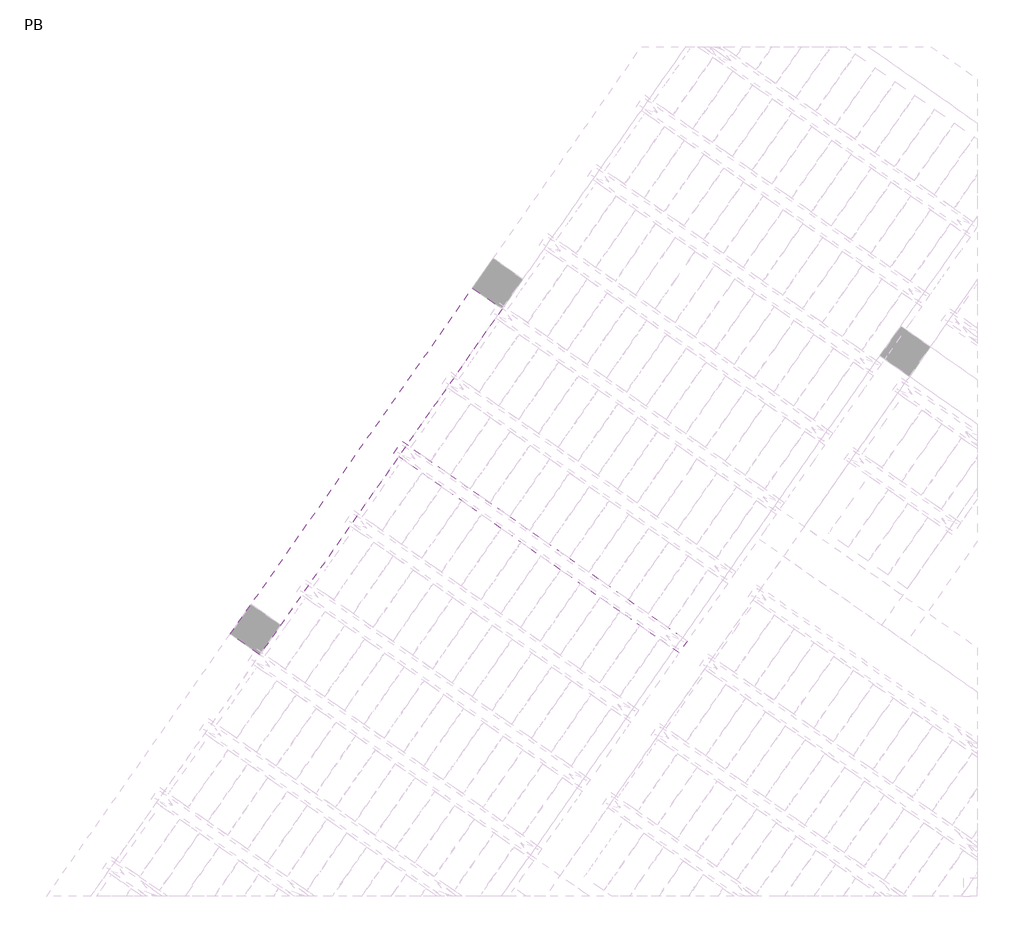
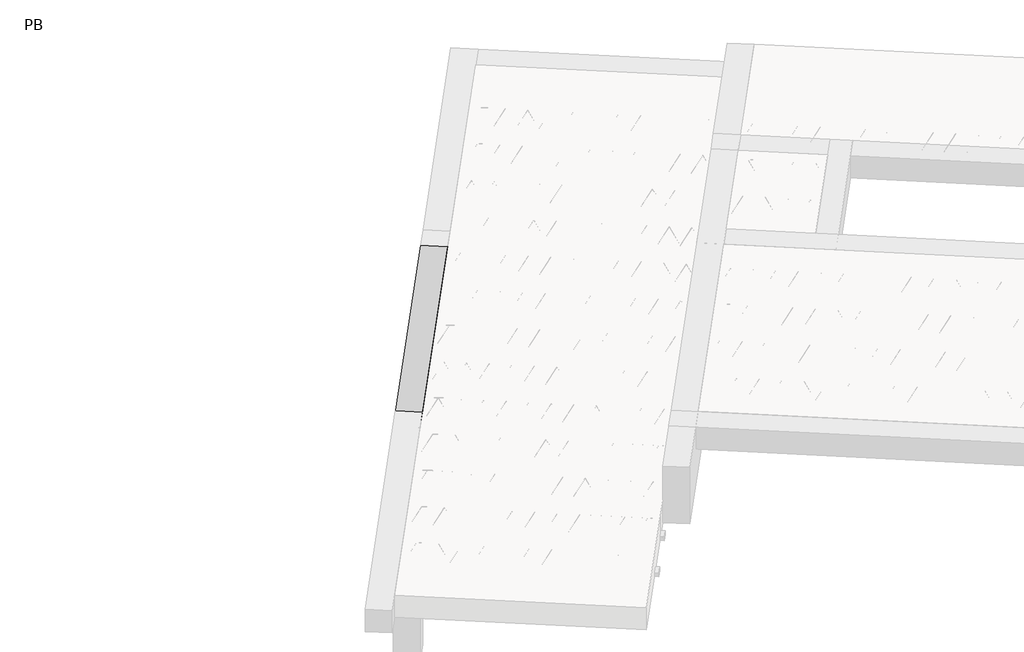
# One storey, part 32 of 56: 3 beams.
"""IFC4 building model written with IfcOpenShell, lengths in millimetres."""

from ifc_helpers import new_model, si_unit, point, frame, origin, origin_2d, place, context, project, spatial, polyline, circle_curve, trimmed, segment, composite_curve, outline, extrude, element, save

model = new_model("IFC4")

# Units and contexts
model_context = context("Model", 3, world=origin())
ifc_project = project(units=[si_unit("LENGTHUNIT", "METRE", prefix="MILLI")], contexts=[model_context])

# Site, building, storey
site = spatial("IfcSite", under=ifc_project)
building = spatial("IfcBuilding", under=site)
storey = spatial("IfcBuildingStorey", under=building, Name="PB", Elevation=95940.0)

# Beams
placement = place(None, origin())
element("IfcBeam", 1, at=placement, inside=storey, context=model_context, shape_type="SweptSolid", body=[
    extrude(outline(polyline([(1596.0492258, 6683.5284282), (1664.8783982, 6781.8266735), (4027.7491046, 5127.3267929), (3958.9199323, 5029.0285476), (1596.0492258, 6683.5284282)])), frame((0.0, 0.0, 98760.0), z_axis=(0.0, 0.0, 1.0), x_axis=(1.0, 0.0, 0.0)), (0.0, 0.0, 1.0), 50.0),
    extrude(outline(composite_curve([segment(trimmed(circle_curve(origin_2d(), 2.5), [point((-2.5, 0.0))], [point((2.5, 0.0))], False, "CARTESIAN"), True, "CONTINUOUS"), segment(trimmed(circle_curve(origin_2d(), 2.5), [point((2.5, 0.0))], [point((-2.5, 0.0))], False, "CARTESIAN"), True, "CONTINUOUS")], self_intersect=False)), frame((3953.0261177, 5062.4540311, 98785.0), z_axis=(-0.8191520442696126, 0.5735764363787226, 0.0), x_axis=(0.5735764363787226, 0.8191520442696126, 0.0)), (0.0, 0.0, 1.0), 2836.532515),
    extrude(outline(composite_curve([segment(trimmed(circle_curve(origin_2d(), 2.5), [point((-2.5, 0.0))], [point((2.5000001, 0.0))], False, "CARTESIAN"), True, "CONTINUOUS"), segment(trimmed(circle_curve(origin_2d(), 2.5), [point((2.5000001, 0.0))], [point((-2.5, 0.0))], False, "CARTESIAN"), True, "CONTINUOUS")], self_intersect=False)), frame((3876.7968228, 5159.7782432, 99010.0), z_axis=(-0.8191520442696126, 0.5735764363787226, 0.0), x_axis=(0.5735764363787226, 0.8191520442696126, 0.0)), (0.0, 0.0, 1.0), 2600.0),
    extrude(outline(composite_curve([segment(trimmed(circle_curve(origin_2d(), 2.5), [point((-2.5, 0.0))], [point((2.5, 0.0))], False, "CARTESIAN"), True, "CONTINUOUS"), segment(trimmed(circle_curve(origin_2d(), 2.5), [point((2.5, 0.0))], [point((-2.5, 0.0))], False, "CARTESIAN"), True, "CONTINUOUS")], self_intersect=False)), frame((3917.5844744, 5087.2705369, 98785.0), z_axis=(-0.3145304735701046, 0.38933448886848654, 0.8657304643902053), x_axis=(0.7778747638402499, 0.6284193279813057, 0.0)), (0.0, 0.0, 1.0), 259.8961331),
    extrude(outline(composite_curve([segment(trimmed(circle_curve(origin_2d(), 2.5), [point((2.5, 0.0))], [point((-2.5, 0.0))], False, "CARTESIAN"), True, "CONTINUOUS"), segment(trimmed(circle_curve(origin_2d(), 2.5), [point((-2.5, 0.0))], [point((2.5, 0.0))], False, "CARTESIAN"), True, "CONTINUOUS")], self_intersect=False)), frame((3712.7964633, 5230.664646, 98785.0), z_axis=(0.47343050384693375, -0.16240172737369005, 0.8657304643902051), x_axis=(-0.3244721671091268, -0.9458952440791246, 0.0)), (0.0, 0.0, 1.0), 259.8961331),
    extrude(outline(composite_curve([segment(trimmed(circle_curve(origin_2d(), 2.5), [point((-2.5, 0.0))], [point((2.5, 0.0))], False, "CARTESIAN"), True, "CONTINUOUS"), segment(trimmed(circle_curve(origin_2d(), 2.5), [point((2.5, 0.0))], [point((-2.5, 0.0))], False, "CARTESIAN"), True, "CONTINUOUS")], self_intersect=False)), frame((3712.7964633, 5230.664646, 98785.0), z_axis=(-0.3145304735701046, 0.38933448886848654, 0.8657304643902053), x_axis=(0.7778747638402499, 0.6284193279813057, 0.0)), (0.0, 0.0, 1.0), 259.8961331),
    extrude(outline(composite_curve([segment(trimmed(circle_curve(origin_2d(), 2.5), [point((2.5, -1e-07))], [point((-2.5, 0.0))], False, "CARTESIAN"), True, "CONTINUOUS"), segment(trimmed(circle_curve(origin_2d(), 2.5), [point((-2.5, 0.0))], [point((2.5, -1e-07))], False, "CARTESIAN"), True, "CONTINUOUS")], self_intersect=False)), frame((3508.0084523, 5374.0587551, 98785.0), z_axis=(0.47343050384693375, -0.16240172737369005, 0.8657304643902051), x_axis=(-0.3244721671091268, -0.9458952440791246, 0.0)), (0.0, 0.0, 1.0), 259.8961331),
    extrude(outline(composite_curve([segment(trimmed(circle_curve(origin_2d(), 2.5), [point((-2.5000001, 1e-07))], [point((2.5, 0.0))], False, "CARTESIAN"), True, "CONTINUOUS"), segment(trimmed(circle_curve(origin_2d(), 2.5), [point((2.5, 0.0))], [point((-2.5000001, 1e-07))], False, "CARTESIAN"), True, "CONTINUOUS")], self_intersect=False)), frame((3508.0084523, 5374.0587551, 98785.0), z_axis=(-0.3145304735701046, 0.38933448886848654, 0.8657304643902053), x_axis=(0.7778747638402499, 0.6284193279813057, 0.0)), (0.0, 0.0, 1.0), 259.8961331),
    extrude(outline(composite_curve([segment(trimmed(circle_curve(origin_2d(), 2.5), [point((2.5, 0.0))], [point((-2.5, 0.0))], False, "CARTESIAN"), True, "CONTINUOUS"), segment(trimmed(circle_curve(origin_2d(), 2.5), [point((-2.5, 0.0))], [point((2.5, 0.0))], False, "CARTESIAN"), True, "CONTINUOUS")], self_intersect=False)), frame((3303.2204412, 5517.4528642, 98785.0), z_axis=(0.47343050384693375, -0.16240172737369005, 0.8657304643902051), x_axis=(-0.3244721671091268, -0.9458952440791246, 0.0)), (0.0, 0.0, 1.0), 259.8961331),
    extrude(outline(composite_curve([segment(trimmed(circle_curve(origin_2d(), 2.5), [point((-2.5, 0.0))], [point((2.5, 0.0))], False, "CARTESIAN"), True, "CONTINUOUS"), segment(trimmed(circle_curve(origin_2d(), 2.5), [point((2.5, 0.0))], [point((-2.5, 0.0))], False, "CARTESIAN"), True, "CONTINUOUS")], self_intersect=False)), frame((3303.2204412, 5517.4528642, 98785.0), z_axis=(-0.3145304735701046, 0.38933448886848654, 0.8657304643902053), x_axis=(0.7778747638402499, 0.6284193279813057, 0.0)), (0.0, 0.0, 1.0), 259.8961331),
    extrude(outline(composite_curve([segment(trimmed(circle_curve(origin_2d(), 2.5), [point((2.5, 0.0))], [point((-2.5, 0.0))], False, "CARTESIAN"), True, "CONTINUOUS"), segment(trimmed(circle_curve(origin_2d(), 2.5), [point((-2.5, 0.0))], [point((2.5, 0.0))], False, "CARTESIAN"), True, "CONTINUOUS")], self_intersect=False)), frame((3098.4324301, 5660.8469733, 98785.0), z_axis=(0.47343050384693375, -0.16240172737369005, 0.8657304643902051), x_axis=(-0.3244721671091268, -0.9458952440791246, 0.0)), (0.0, 0.0, 1.0), 259.8961331),
    extrude(outline(composite_curve([segment(trimmed(circle_curve(origin_2d(), 2.5), [point((-2.5, 0.0))], [point((2.5, 0.0))], False, "CARTESIAN"), True, "CONTINUOUS"), segment(trimmed(circle_curve(origin_2d(), 2.5), [point((2.5, 0.0))], [point((-2.5, 0.0))], False, "CARTESIAN"), True, "CONTINUOUS")], self_intersect=False)), frame((3098.4324305, 5660.846973, 98785.0), z_axis=(-0.3145304735701046, 0.38933448886848654, 0.8657304643902053), x_axis=(0.7778747638402499, 0.6284193279813057, 0.0)), (0.0, 0.0, 1.0), 259.8961331),
    extrude(outline(composite_curve([segment(trimmed(circle_curve(origin_2d(), 2.5), [point((2.5, -1e-07))], [point((-2.5, 0.0))], False, "CARTESIAN"), True, "CONTINUOUS"), segment(trimmed(circle_curve(origin_2d(), 2.5), [point((-2.5, 0.0))], [point((2.5, -1e-07))], False, "CARTESIAN"), True, "CONTINUOUS")], self_intersect=False)), frame((2893.6444195, 5804.2410821, 98785.0), z_axis=(0.47343050384693375, -0.16240172737369005, 0.8657304643902051), x_axis=(-0.3244721671091268, -0.9458952440791246, 0.0)), (0.0, 0.0, 1.0), 259.8961331),
    extrude(outline(composite_curve([segment(trimmed(circle_curve(origin_2d(), 2.5), [point((-2.5, 0.0))], [point((2.5, 0.0))], False, "CARTESIAN"), True, "CONTINUOUS"), segment(trimmed(circle_curve(origin_2d(), 2.5), [point((2.5, 0.0))], [point((-2.5, 0.0))], False, "CARTESIAN"), True, "CONTINUOUS")], self_intersect=False)), frame((2893.6444195, 5804.2410821, 98785.0), z_axis=(-0.3145304735701046, 0.38933448886848654, 0.8657304643902053), x_axis=(0.7778747638402499, 0.6284193279813057, 0.0)), (0.0, 0.0, 1.0), 259.8961331),
    extrude(outline(composite_curve([segment(trimmed(circle_curve(origin_2d(), 2.5), [point((2.5, 0.0))], [point((-2.5, 0.0))], False, "CARTESIAN"), True, "CONTINUOUS"), segment(trimmed(circle_curve(origin_2d(), 2.5), [point((-2.5, 0.0))], [point((2.5, 0.0))], False, "CARTESIAN"), True, "CONTINUOUS")], self_intersect=False)), frame((2688.8564084, 5947.6351912, 98785.0), z_axis=(0.47343050384693375, -0.16240172737369005, 0.8657304643902051), x_axis=(-0.3244721671091268, -0.9458952440791246, 0.0)), (0.0, 0.0, 1.0), 259.8961331),
    extrude(outline(composite_curve([segment(trimmed(circle_curve(origin_2d(), 2.5), [point((-2.5, 0.0))], [point((2.5, 0.0))], False, "CARTESIAN"), True, "CONTINUOUS"), segment(trimmed(circle_curve(origin_2d(), 2.5), [point((2.5, 0.0))], [point((-2.5, 0.0))], False, "CARTESIAN"), True, "CONTINUOUS")], self_intersect=False)), frame((2688.8564084, 5947.6351912, 98785.0), z_axis=(-0.3145304735701046, 0.38933448886848654, 0.8657304643902053), x_axis=(0.7778747638402499, 0.6284193279813057, 0.0)), (0.0, 0.0, 1.0), 259.8961331),
    extrude(outline(composite_curve([segment(trimmed(circle_curve(origin_2d(), 2.5), [point((2.5, 0.0))], [point((-2.5, 0.0))], False, "CARTESIAN"), True, "CONTINUOUS"), segment(trimmed(circle_curve(origin_2d(), 2.5), [point((-2.5, 0.0))], [point((2.5, 0.0))], False, "CARTESIAN"), True, "CONTINUOUS")], self_intersect=False)), frame((2484.0683973, 6091.0293003, 98785.0), z_axis=(0.47343050384693375, -0.16240172737369005, 0.8657304643902051), x_axis=(-0.3244721671091268, -0.9458952440791246, 0.0)), (0.0, 0.0, 1.0), 259.8961331),
    extrude(outline(composite_curve([segment(trimmed(circle_curve(origin_2d(), 2.5), [point((-2.5, 0.0))], [point((2.5, 0.0))], False, "CARTESIAN"), True, "CONTINUOUS"), segment(trimmed(circle_curve(origin_2d(), 2.5), [point((2.5, 0.0))], [point((-2.5, 0.0))], False, "CARTESIAN"), True, "CONTINUOUS")], self_intersect=False)), frame((2484.0683973, 6091.0293003, 98785.0), z_axis=(-0.3145304735701046, 0.38933448886848654, 0.8657304643902053), x_axis=(0.7778747638402499, 0.6284193279813057, 0.0)), (0.0, 0.0, 1.0), 259.8961331),
    extrude(outline(composite_curve([segment(trimmed(circle_curve(origin_2d(), 2.5), [point((2.5, -1e-07))], [point((-2.5, 0.0))], False, "CARTESIAN"), True, "CONTINUOUS"), segment(trimmed(circle_curve(origin_2d(), 2.5), [point((-2.5, 0.0))], [point((2.5, -1e-07))], False, "CARTESIAN"), True, "CONTINUOUS")], self_intersect=False)), frame((2279.2803863, 6234.4234094, 98785.0), z_axis=(0.47343050384693375, -0.16240172737369005, 0.8657304643902051), x_axis=(-0.3244721671091268, -0.9458952440791246, 0.0)), (0.0, 0.0, 1.0), 259.8961331),
    extrude(outline(composite_curve([segment(trimmed(circle_curve(origin_2d(), 2.5), [point((-2.5, 0.0))], [point((2.5, 0.0))], False, "CARTESIAN"), True, "CONTINUOUS"), segment(trimmed(circle_curve(origin_2d(), 2.5), [point((2.5, 0.0))], [point((-2.5, 0.0))], False, "CARTESIAN"), True, "CONTINUOUS")], self_intersect=False)), frame((2279.2803863, 6234.4234094, 98785.0), z_axis=(-0.3145304735701046, 0.38933448886848654, 0.8657304643902053), x_axis=(0.7778747638402499, 0.6284193279813057, 0.0)), (0.0, 0.0, 1.0), 259.8961331),
    extrude(outline(composite_curve([segment(trimmed(circle_curve(origin_2d(), 2.5), [point((2.5, 0.0))], [point((-2.5, 0.0))], False, "CARTESIAN"), True, "CONTINUOUS"), segment(trimmed(circle_curve(origin_2d(), 2.5), [point((-2.5, 0.0))], [point((2.5, 0.0))], False, "CARTESIAN"), True, "CONTINUOUS")], self_intersect=False)), frame((2074.4923752, 6377.8175185, 98785.0), z_axis=(0.47343050384693375, -0.16240172737369005, 0.8657304643902051), x_axis=(-0.3244721671091268, -0.9458952440791246, 0.0)), (0.0, 0.0, 1.0), 259.8961331),
    extrude(outline(composite_curve([segment(trimmed(circle_curve(origin_2d(), 2.5), [point((-2.5, 0.0))], [point((2.5, 0.0))], False, "CARTESIAN"), True, "CONTINUOUS"), segment(trimmed(circle_curve(origin_2d(), 2.5), [point((2.5, 0.0))], [point((-2.5, 0.0))], False, "CARTESIAN"), True, "CONTINUOUS")], self_intersect=False)), frame((2074.4923752, 6377.8175185, 98785.0), z_axis=(-0.3145304735701046, 0.38933448886848654, 0.8657304643902053), x_axis=(0.7778747638402499, 0.6284193279813057, 0.0)), (0.0, 0.0, 1.0), 259.8961331),
    extrude(outline(composite_curve([segment(trimmed(circle_curve(origin_2d(), 2.5), [point((2.5, 0.0))], [point((-2.5, 0.0))], False, "CARTESIAN"), True, "CONTINUOUS"), segment(trimmed(circle_curve(origin_2d(), 2.5), [point((-2.5, 0.0))], [point((2.5, 0.0))], False, "CARTESIAN"), True, "CONTINUOUS")], self_intersect=False)), frame((1869.7043641, 6521.2116276, 98785.0), z_axis=(0.47343050384693375, -0.16240172737369005, 0.8657304643902051), x_axis=(-0.3244721671091268, -0.9458952440791246, 0.0)), (0.0, 0.0, 1.0), 259.8961331),
    extrude(outline(composite_curve([segment(trimmed(circle_curve(origin_2d(), 2.5), [point((-2.5, 0.0))], [point((2.5, 0.0))], False, "CARTESIAN"), True, "CONTINUOUS"), segment(trimmed(circle_curve(origin_2d(), 2.5), [point((2.5, 0.0))], [point((-2.5, 0.0))], False, "CARTESIAN"), True, "CONTINUOUS")], self_intersect=False)), frame((1869.7043641, 6521.2116276, 98785.0), z_axis=(-0.3145304735701046, 0.38933448886848654, 0.8657304643902053), x_axis=(0.7778747638402499, 0.6284193279813057, 0.0)), (0.0, 0.0, 1.0), 259.8961331),
    extrude(outline(composite_curve([segment(trimmed(circle_curve(origin_2d(), 2.5), [point((2.5, -1e-07))], [point((-2.5, 0.0))], False, "CARTESIAN"), True, "CONTINUOUS"), segment(trimmed(circle_curve(origin_2d(), 2.5), [point((-2.5, 0.0))], [point((2.5, -1e-07))], False, "CARTESIAN"), True, "CONTINUOUS")], self_intersect=False)), frame((1664.9163531, 6664.6057367, 98785.0), z_axis=(0.47343050384693375, -0.16240172737369005, 0.8657304643902051), x_axis=(-0.3244721671091268, -0.9458952440791246, 0.0)), (0.0, 0.0, 1.0), 259.8961331),
    extrude(outline(composite_curve([segment(trimmed(circle_curve(origin_2d(), 2.5), [point((-2.5, 0.0))], [point((2.5, 0.0))], False, "CARTESIAN"), True, "CONTINUOUS"), segment(trimmed(circle_curve(origin_2d(), 2.5), [point((2.5, 0.0))], [point((-2.5, 0.0))], False, "CARTESIAN"), True, "CONTINUOUS")], self_intersect=False)), frame((3994.3236211, 5121.4329783, 98785.0), z_axis=(-0.8191520442696126, 0.5735764363787226, 0.0), x_axis=(0.5735764363787226, 0.8191520442696126, 0.0)), (0.0, 0.0, 1.0), 2836.532515),
    extrude(outline(composite_curve([segment(trimmed(circle_curve(origin_2d(), 2.5), [point((-2.5, 0.0))], [point((2.5, 0.0))], False, "CARTESIAN"), True, "CONTINUOUS"), segment(trimmed(circle_curve(origin_2d(), 2.5), [point((2.5, 0.0))], [point((-2.5, 0.0))], False, "CARTESIAN"), True, "CONTINUOUS")], self_intersect=False)), frame((3958.8819778, 5146.2494841, 98785.0), z_axis=(-0.47343050384693375, 0.16240172737369005, 0.8657304643902051), x_axis=(0.3244721671091268, 0.9458952440791246, 0.0)), (0.0, 0.0, 1.0), 259.8961331),
    extrude(outline(composite_curve([segment(trimmed(circle_curve(origin_2d(), 2.5), [point((2.5, 0.0))], [point((-2.5000001, 1e-07))], False, "CARTESIAN"), True, "CONTINUOUS"), segment(trimmed(circle_curve(origin_2d(), 2.5), [point((-2.5000001, 1e-07))], [point((2.5, 0.0))], False, "CARTESIAN"), True, "CONTINUOUS")], self_intersect=False)), frame((3754.0939667, 5289.6435932, 98785.0), z_axis=(0.3145304735701046, -0.38933448886848654, 0.8657304643902053), x_axis=(-0.7778747638402499, -0.6284193279813057, 0.0)), (0.0, 0.0, 1.0), 259.8961331),
    extrude(outline(composite_curve([segment(trimmed(circle_curve(origin_2d(), 2.5), [point((-2.5, 0.0))], [point((2.5, -1e-07))], False, "CARTESIAN"), True, "CONTINUOUS"), segment(trimmed(circle_curve(origin_2d(), 2.5), [point((2.5, -1e-07))], [point((-2.5, 0.0))], False, "CARTESIAN"), True, "CONTINUOUS")], self_intersect=False)), frame((3754.0939667, 5289.6435932, 98785.0), z_axis=(-0.47343050384693375, 0.16240172737369005, 0.8657304643902051), x_axis=(0.3244721671091268, 0.9458952440791246, 0.0)), (0.0, 0.0, 1.0), 259.8961331),
    extrude(outline(composite_curve([segment(trimmed(circle_curve(origin_2d(), 2.5), [point((2.5, 0.0))], [point((-2.5, 0.0))], False, "CARTESIAN"), True, "CONTINUOUS"), segment(trimmed(circle_curve(origin_2d(), 2.5), [point((-2.5, 0.0))], [point((2.5, 0.0))], False, "CARTESIAN"), True, "CONTINUOUS")], self_intersect=False)), frame((3549.3059557, 5433.0377023, 98785.0), z_axis=(0.3145304735701046, -0.38933448886848654, 0.8657304643902053), x_axis=(-0.7778747638402499, -0.6284193279813057, 0.0)), (0.0, 0.0, 1.0), 259.8961331),
    extrude(outline(composite_curve([segment(trimmed(circle_curve(origin_2d(), 2.5), [point((-2.5, 0.0))], [point((2.5, 0.0))], False, "CARTESIAN"), True, "CONTINUOUS"), segment(trimmed(circle_curve(origin_2d(), 2.5), [point((2.5, 0.0))], [point((-2.5, 0.0))], False, "CARTESIAN"), True, "CONTINUOUS")], self_intersect=False)), frame((3549.3059557, 5433.0377023, 98785.0), z_axis=(-0.47343050384693375, 0.16240172737369005, 0.8657304643902051), x_axis=(0.3244721671091268, 0.9458952440791246, 0.0)), (0.0, 0.0, 1.0), 259.8961331),
    extrude(outline(composite_curve([segment(trimmed(circle_curve(origin_2d(), 2.5), [point((2.5, 0.0))], [point((-2.5, 0.0))], False, "CARTESIAN"), True, "CONTINUOUS"), segment(trimmed(circle_curve(origin_2d(), 2.5), [point((-2.5, 0.0))], [point((2.5, 0.0))], False, "CARTESIAN"), True, "CONTINUOUS")], self_intersect=False)), frame((3344.5179446, 5576.4318114, 98785.0), z_axis=(0.3145304735701046, -0.38933448886848654, 0.8657304643902053), x_axis=(-0.7778747638402499, -0.6284193279813057, 0.0)), (0.0, 0.0, 1.0), 259.8961331),
    extrude(outline(composite_curve([segment(trimmed(circle_curve(origin_2d(), 2.5), [point((-2.5, 0.0))], [point((2.5, 0.0))], False, "CARTESIAN"), True, "CONTINUOUS"), segment(trimmed(circle_curve(origin_2d(), 2.5), [point((2.5, 0.0))], [point((-2.5, 0.0))], False, "CARTESIAN"), True, "CONTINUOUS")], self_intersect=False)), frame((3344.5179446, 5576.4318114, 98785.0), z_axis=(-0.47343050384693375, 0.16240172737369005, 0.8657304643902051), x_axis=(0.3244721671091268, 0.9458952440791246, 0.0)), (0.0, 0.0, 1.0), 259.8961331),
    extrude(outline(composite_curve([segment(trimmed(circle_curve(origin_2d(), 2.5), [point((2.5, 0.0))], [point((-2.5000001, 1e-07))], False, "CARTESIAN"), True, "CONTINUOUS"), segment(trimmed(circle_curve(origin_2d(), 2.5), [point((-2.5000001, 1e-07))], [point((2.5, 0.0))], False, "CARTESIAN"), True, "CONTINUOUS")], self_intersect=False)), frame((3139.7299335, 5719.8259205, 98785.0), z_axis=(0.3145304735701046, -0.38933448886848654, 0.8657304643902053), x_axis=(-0.7778747638402499, -0.6284193279813057, 0.0)), (0.0, 0.0, 1.0), 259.8961331),
    extrude(outline(composite_curve([segment(trimmed(circle_curve(origin_2d(), 2.5), [point((-2.5, 0.0))], [point((2.5, -1e-07))], False, "CARTESIAN"), True, "CONTINUOUS"), segment(trimmed(circle_curve(origin_2d(), 2.5), [point((2.5, -1e-07))], [point((-2.5, 0.0))], False, "CARTESIAN"), True, "CONTINUOUS")], self_intersect=False)), frame((3139.7299339, 5719.8259202, 98785.0), z_axis=(-0.47343050384693375, 0.16240172737369005, 0.8657304643902051), x_axis=(0.3244721671091268, 0.9458952440791246, 0.0)), (0.0, 0.0, 1.0), 259.8961331),
    extrude(outline(composite_curve([segment(trimmed(circle_curve(origin_2d(), 2.5), [point((2.5, 0.0))], [point((-2.5, 0.0))], False, "CARTESIAN"), True, "CONTINUOUS"), segment(trimmed(circle_curve(origin_2d(), 2.5), [point((-2.5, 0.0))], [point((2.5, 0.0))], False, "CARTESIAN"), True, "CONTINUOUS")], self_intersect=False)), frame((2934.9419229, 5863.2200293, 98785.0), z_axis=(0.3145304735701046, -0.38933448886848654, 0.8657304643902053), x_axis=(-0.7778747638402499, -0.6284193279813057, 0.0)), (0.0, 0.0, 1.0), 259.8961331),
    extrude(outline(composite_curve([segment(trimmed(circle_curve(origin_2d(), 2.5), [point((-2.5, 0.0))], [point((2.5, 0.0))], False, "CARTESIAN"), True, "CONTINUOUS"), segment(trimmed(circle_curve(origin_2d(), 2.5), [point((2.5, 0.0))], [point((-2.5, 0.0))], False, "CARTESIAN"), True, "CONTINUOUS")], self_intersect=False)), frame((2934.9419229, 5863.2200293, 98785.0), z_axis=(-0.47343050384693375, 0.16240172737369005, 0.8657304643902051), x_axis=(0.3244721671091268, 0.9458952440791246, 0.0)), (0.0, 0.0, 1.0), 259.8961331),
    extrude(outline(composite_curve([segment(trimmed(circle_curve(origin_2d(), 2.5), [point((2.5, 0.0))], [point((-2.5, 0.0))], False, "CARTESIAN"), True, "CONTINUOUS"), segment(trimmed(circle_curve(origin_2d(), 2.5), [point((-2.5, 0.0))], [point((2.5, 0.0))], False, "CARTESIAN"), True, "CONTINUOUS")], self_intersect=False)), frame((2730.1539118, 6006.6141384, 98785.0), z_axis=(0.3145304735701046, -0.38933448886848654, 0.8657304643902053), x_axis=(-0.7778747638402499, -0.6284193279813057, 0.0)), (0.0, 0.0, 1.0), 259.8961331),
    extrude(outline(composite_curve([segment(trimmed(circle_curve(origin_2d(), 2.5), [point((-2.5, 0.0))], [point((2.5, 0.0))], False, "CARTESIAN"), True, "CONTINUOUS"), segment(trimmed(circle_curve(origin_2d(), 2.5), [point((2.5, 0.0))], [point((-2.5, 0.0))], False, "CARTESIAN"), True, "CONTINUOUS")], self_intersect=False)), frame((2730.1539118, 6006.6141384, 98785.0), z_axis=(-0.47343050384693375, 0.16240172737369005, 0.8657304643902051), x_axis=(0.3244721671091268, 0.9458952440791246, 0.0)), (0.0, 0.0, 1.0), 259.8961331),
    extrude(outline(composite_curve([segment(trimmed(circle_curve(origin_2d(), 2.5), [point((2.5, 0.0))], [point((-2.5000001, 1e-07))], False, "CARTESIAN"), True, "CONTINUOUS"), segment(trimmed(circle_curve(origin_2d(), 2.5), [point((-2.5000001, 1e-07))], [point((2.5, 0.0))], False, "CARTESIAN"), True, "CONTINUOUS")], self_intersect=False)), frame((2525.3659007, 6150.0082475, 98785.0), z_axis=(0.3145304735701046, -0.38933448886848654, 0.8657304643902053), x_axis=(-0.7778747638402499, -0.6284193279813057, 0.0)), (0.0, 0.0, 1.0), 259.8961331),
    extrude(outline(composite_curve([segment(trimmed(circle_curve(origin_2d(), 2.5), [point((-2.5, 0.0))], [point((2.5, -1e-07))], False, "CARTESIAN"), True, "CONTINUOUS"), segment(trimmed(circle_curve(origin_2d(), 2.5), [point((2.5, -1e-07))], [point((-2.5, 0.0))], False, "CARTESIAN"), True, "CONTINUOUS")], self_intersect=False)), frame((2525.3659007, 6150.0082475, 98785.0), z_axis=(-0.47343050384693375, 0.16240172737369005, 0.8657304643902051), x_axis=(0.3244721671091268, 0.9458952440791246, 0.0)), (0.0, 0.0, 1.0), 259.8961331),
    extrude(outline(composite_curve([segment(trimmed(circle_curve(origin_2d(), 2.5), [point((2.5, 0.0))], [point((-2.5, 0.0))], False, "CARTESIAN"), True, "CONTINUOUS"), segment(trimmed(circle_curve(origin_2d(), 2.5), [point((-2.5, 0.0))], [point((2.5, 0.0))], False, "CARTESIAN"), True, "CONTINUOUS")], self_intersect=False)), frame((2320.5778897, 6293.4023566, 98785.0), z_axis=(0.3145304735701046, -0.38933448886848654, 0.8657304643902053), x_axis=(-0.7778747638402499, -0.6284193279813057, 0.0)), (0.0, 0.0, 1.0), 259.8961331),
    extrude(outline(composite_curve([segment(trimmed(circle_curve(origin_2d(), 2.5), [point((-2.5, 0.0))], [point((2.5, 0.0))], False, "CARTESIAN"), True, "CONTINUOUS"), segment(trimmed(circle_curve(origin_2d(), 2.5), [point((2.5, 0.0))], [point((-2.5, 0.0))], False, "CARTESIAN"), True, "CONTINUOUS")], self_intersect=False)), frame((2320.5778897, 6293.4023566, 98785.0), z_axis=(-0.47343050384693375, 0.16240172737369005, 0.8657304643902051), x_axis=(0.3244721671091268, 0.9458952440791246, 0.0)), (0.0, 0.0, 1.0), 259.8961331),
    extrude(outline(composite_curve([segment(trimmed(circle_curve(origin_2d(), 2.5), [point((2.5, 1e-07))], [point((-2.5, 0.0))], False, "CARTESIAN"), True, "CONTINUOUS"), segment(trimmed(circle_curve(origin_2d(), 2.5), [point((-2.5, 0.0))], [point((2.5, 1e-07))], False, "CARTESIAN"), True, "CONTINUOUS")], self_intersect=False)), frame((2115.7898786, 6436.7964657, 98785.0), z_axis=(0.3145304735701046, -0.38933448886848654, 0.8657304643902053), x_axis=(-0.7778747638402499, -0.6284193279813057, 0.0)), (0.0, 0.0, 1.0), 259.8961331),
    extrude(outline(composite_curve([segment(trimmed(circle_curve(origin_2d(), 2.5), [point((-2.5, 0.0))], [point((2.5, 0.0))], False, "CARTESIAN"), True, "CONTINUOUS"), segment(trimmed(circle_curve(origin_2d(), 2.5), [point((2.5, 0.0))], [point((-2.5, 0.0))], False, "CARTESIAN"), True, "CONTINUOUS")], self_intersect=False)), frame((2115.7898786, 6436.7964657, 98785.0), z_axis=(-0.47343050384693375, 0.16240172737369005, 0.8657304643902051), x_axis=(0.3244721671091268, 0.9458952440791246, 0.0)), (0.0, 0.0, 1.0), 259.8961331),
    extrude(outline(composite_curve([segment(trimmed(circle_curve(origin_2d(), 2.5), [point((2.5, 1e-07))], [point((-2.5000001, 1e-07))], False, "CARTESIAN"), True, "CONTINUOUS"), segment(trimmed(circle_curve(origin_2d(), 2.5), [point((-2.5000001, 1e-07))], [point((2.5, 1e-07))], False, "CARTESIAN"), True, "CONTINUOUS")], self_intersect=False)), frame((1911.0018675, 6580.1905748, 98785.0), z_axis=(0.3145304735701046, -0.38933448886848654, 0.8657304643902053), x_axis=(-0.7778747638402499, -0.6284193279813057, 0.0)), (0.0, 0.0, 1.0), 259.8961331),
    extrude(outline(composite_curve([segment(trimmed(circle_curve(origin_2d(), 2.5), [point((-2.5, 0.0))], [point((2.5, -1e-07))], False, "CARTESIAN"), True, "CONTINUOUS"), segment(trimmed(circle_curve(origin_2d(), 2.5), [point((2.5, -1e-07))], [point((-2.5, 0.0))], False, "CARTESIAN"), True, "CONTINUOUS")], self_intersect=False)), frame((1911.0018675, 6580.1905748, 98785.0), z_axis=(-0.47343050384693375, 0.16240172737369005, 0.8657304643902051), x_axis=(0.3244721671091268, 0.9458952440791246, 0.0)), (0.0, 0.0, 1.0), 259.8961331),
    extrude(outline(composite_curve([segment(trimmed(circle_curve(origin_2d(), 2.5), [point((2.5, 1e-07))], [point((-2.5, 0.0))], False, "CARTESIAN"), True, "CONTINUOUS"), segment(trimmed(circle_curve(origin_2d(), 2.5), [point((-2.5, 0.0))], [point((2.5, 1e-07))], False, "CARTESIAN"), True, "CONTINUOUS")], self_intersect=False)), frame((1706.2138565, 6723.5846839, 98785.0), z_axis=(0.3145304735701046, -0.38933448886848654, 0.8657304643902053), x_axis=(-0.7778747638402499, -0.6284193279813057, 0.0)), (0.0, 0.0, 1.0), 259.8961331),
])
element("IfcBeam", 2, at=placement, inside=storey, context=model_context, shape_type="SweptSolid", body=[
    extrude(outline(polyline([(1997.5816138, 7256.9146354), (2066.4107861, 7355.2128807), (4429.2526101, 5700.7332239), (4360.4234377, 5602.4349786), (1997.5816138, 7256.9146354)])), frame((0.0, 0.0, 98760.0), z_axis=(0.0, 0.0, 1.0), x_axis=(1.0, 0.0, 0.0)), (0.0, 0.0, 1.0), 50.0),
])
element("IfcBeam", 3, at=placement, inside=storey, context=model_context, shape_type="SweptSolid", body=[
    extrude(outline(polyline([(488.0629791, 5013.8619107), (242.3173658, 5185.9348416), (2247.5845142, 8049.7531223), (2493.3301275, 7877.6801914), (488.0629791, 5013.8619107)])), frame((0.0, 0.0, 98760.0), z_axis=(0.0, 0.0, 1.0), x_axis=(1.0, 0.0, 0.0)), (0.0, 0.0, 1.0), 300.0),
])

save(model, "model.ifc")
